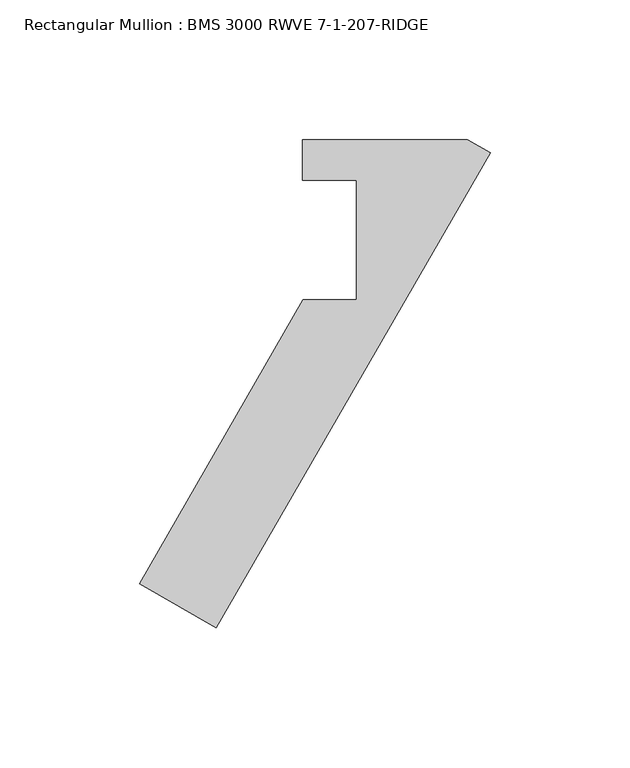
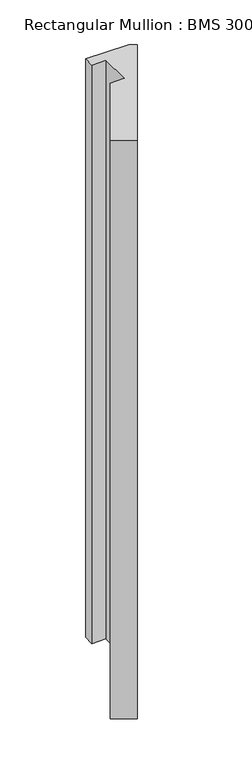
"""IFC4 building model written with IfcOpenShell, lengths in millimetres: member geometry, Rectangular Mullion : BMS 3000 RWVE 7-1-207-RIDGE."""

from ifc_helpers import new_model, si_unit, frame, origin, place, context, project, spatial, polyline, outline, extrude, source, transform, mapped, element, save


def rectangular_mullion_bms_3000_rwve_7_1_207_ridge_ff7ab1c3(model_context):
    return source(origin(), model_context, "Body", "SweptSolid", [
        extrude(outline(polyline([(-8.2593666, 4.7511348), (0.0, -0.0174127), (-98.2237332, -170.1459091), (-125.7200397, -154.2709091), (-67.0612524, -52.6709091), (-48.0112524, -52.6709091), (-48.0112524, -9.7425031), (-67.2653176, -9.7425031), (-67.2653176, 4.7511348), (-8.2593666, 4.7511348)])), frame((0.0, 0.0, -830.697475), z_axis=(0.0, 0.0, 1.0), x_axis=(1.0, 0.0, 0.0)), (0.0, 0.0, 1.0), 830.697475),
    ])


if __name__ == "__main__":
    model = new_model("IFC4")
    model_context = context("Model", 3, world=origin())
    ifc_project = project(units=[si_unit("LENGTHUNIT", "METRE", prefix="MILLI")], contexts=[model_context])
    site = spatial("IfcSite", under=ifc_project)
    building = spatial("IfcBuilding", under=site)
    placement = place(None, origin())
    rectangular_mullion_bms_3000_rwve_7_1_207_ridge_shape = rectangular_mullion_bms_3000_rwve_7_1_207_ridge_ff7ab1c3(model_context)
    element("IfcMember", 1, ObjectType="Rectangular Mullion : BMS 3000 RWVE 7-1-207-RIDGE", at=placement, inside=building, context=model_context, shape_type="MappedRepresentation", body=[
        mapped(rectangular_mullion_bms_3000_rwve_7_1_207_ridge_shape, transform((0.0, 0.0, 0.0), x_axis=(1.0, 0.0, 0.0), y_axis=(0.0, 1.0, 0.0), z_axis=(0.0, 0.0, 1.0))),
    ])
    save(model, "model.ifc")
